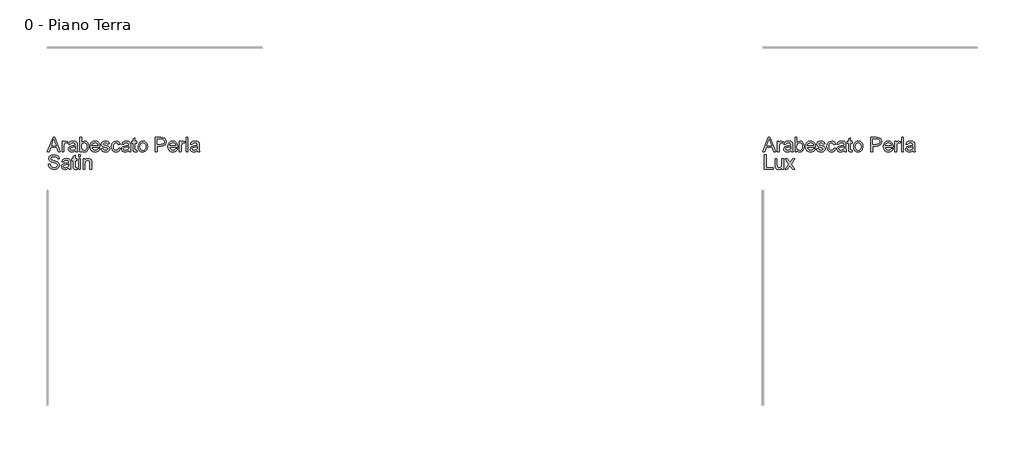
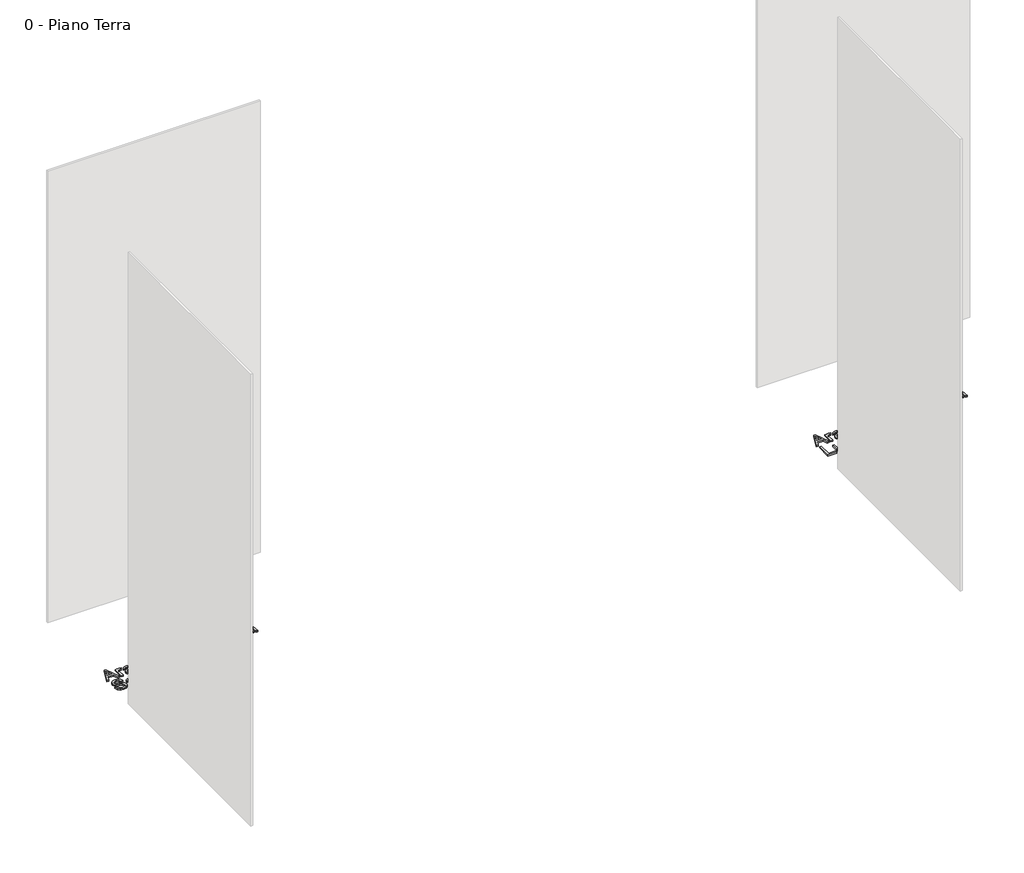
# One storey, part 32 of 35: 2 proxies.
"""IFC4 building model written with IfcOpenShell, lengths in millimetres."""

from ifc_helpers import new_model, si_unit, origin, origin_with_axes, place, context, project, spatial, polyline, outline, extrude, element, save

model = new_model("IFC4")

# Units and contexts
model_context = context("Model", 3, world=origin())
ifc_project = project(units=[si_unit("LENGTHUNIT", "METRE", prefix="MILLI")], contexts=[model_context])

# Site, building, storey
site = spatial("IfcSite", under=ifc_project)
building = spatial("IfcBuilding", under=site)
storey = spatial("IfcBuildingStorey", under=building, Name="0 - Piano Terra", Elevation=0.0)

# Proxies
placement = place(None, origin())
element("IfcBuildingElementProxy", 1, Name="Testo modello 1", ObjectType="Testo modello 1", at=placement, inside=storey, context=model_context, shape_type="SweptSolid", body=[
    extrude(outline(polyline([(2720.0306016, 11726.2407648), (2760.1297391, 11826.697075), (2770.8228424, 11826.697075), (2810.9219799, 11726.2407648), (2797.6537026, 11726.2407648), (2786.1512589, 11757.6333618), (2744.7767972, 11757.6333618), (2733.2988789, 11726.2407648), (2720.0306016, 11726.2407648)]), holes=[polyline([(2749.3875848, 11770.1904005), (2781.5649967, 11770.1904005), (2772.5150996, 11794.8875451), (2765.4762908, 11814.1400362), (2759.2222968, 11797.0457862), (2749.3875848, 11770.1904005)])]), origin_with_axes(), (0.0, 0.0, 1.0), 10.0),
    extrude(outline(polyline([(2822.7677801, 11726.2407648), (2822.7677801, 11800.0133676), (2833.7551891, 11800.0133676), (2833.7551891, 11789.0995351), (2841.5542874, 11799.1549763), (2849.4024366, 11801.5829975), (2862.0085263, 11797.7079738), (2857.8146716, 11786.4507847), (2848.9855037, 11789.0259587), (2841.8853812, 11786.5488866), (2837.3604326, 11779.681756), (2835.3248189, 11765.0155271), (2835.3248189, 11726.2407648), (2822.7677801, 11726.2407648)])), origin_with_axes(), (0.0, 0.0, 1.0), 10.0),
    extrude(outline(polyline([(2916.9455709, 11735.6585439), (2904.7686769, 11727.1482071), (2891.3164586, 11724.671135), (2880.8226247, 11726.1610571), (2873.0817744, 11730.6308233), (2868.3085055, 11737.4182461), (2866.7174158, 11745.8611379), (2869.1209115, 11755.7939518), (2875.4362191, 11763.0044389), (2884.2285988, 11767.1247172), (2895.0933804, 11769.0131782), (2916.8719945, 11773.3296602), (2916.9455709, 11776.1255634), (2913.4874802, 11785.3961897), (2899.6060662, 11789.0259587), (2886.9018746, 11786.6102003), (2880.8440845, 11778.0385498), (2868.2870457, 11779.6081796), (2873.7194365, 11791.8709128), (2884.6577945, 11799.0568744), (2901.224747, 11801.5829975), (2916.4427989, 11799.35118), (2925.0389748, 11793.747111), (2928.889473, 11785.2245114), (2929.5026097, 11774.2371025), (2929.5026097, 11758.6143804), (2930.1402718, 11736.7989781), (2932.6418694, 11726.2407648), (2920.0848306, 11726.2407648), (2916.9455709, 11735.6585439)]), holes=[polyline([(2916.9455709, 11760.7726215), (2896.6875357, 11756.9221232), (2885.8840678, 11754.8865095), (2880.9912373, 11751.5755716), (2879.2744546, 11746.7440547), (2883.0145882, 11739.9505005), (2893.9897344, 11737.2281738), (2906.693926, 11740.2325434), (2914.8854317, 11747.5043442), (2916.8719945, 11757.2164288), (2916.9455709, 11760.7726215)])]), origin_with_axes(), (0.0, 0.0, 1.0), 10.0),
    extrude(outline(polyline([(2959.3255768, 11726.2407648), (2946.768538, 11726.2407648), (2946.768538, 11826.697075), (2959.3255768, 11826.697075), (2959.3255768, 11789.4428916), (2968.1179564, 11798.547971), (2979.0440517, 11801.5829975), (2991.6256159, 11798.848408), (3001.3867515, 11791.1596743), (3007.3832281, 11779.2035094), (3009.5537318, 11764.2307122), (3007.306586, 11747.467556), (3000.5651484, 11734.9963563), (2990.6721884, 11727.2524403), (2978.9704753, 11724.671135), (2967.8052567, 11728.0004671), (2959.3255768, 11737.9884632), (2959.3255768, 11726.2407648)]), holes=[polyline([(2959.3255768, 11763.642101), (2962.759142, 11746.0818671), (2969.3380984, 11739.4415971), (2977.8913548, 11737.2281738), (2985.1386301, 11738.8591173), (2991.3313103, 11743.7519478), (2995.5803474, 11751.8760085), (2996.9966931, 11763.2006426), (2995.6385954, 11774.6908236), (2991.5643023, 11782.7229138), (2985.5647601, 11787.4501975), (2978.430915, 11789.0259587), (2971.1836397, 11787.3950152), (2964.9909595, 11782.5021846), (2960.7419224, 11774.5252767), (2959.3255768, 11763.642101)])]), origin_with_axes(), (0.0, 0.0, 1.0), 10.0),
    extrude(outline(polyline([(3075.3310326, 11748.2155827), (3087.6428167, 11746.6459528), (3083.206773, 11737.3691952), (3076.1281102, 11730.4346196), (3066.566244, 11726.1120062), (3054.6805899, 11724.671135), (3039.946916, 11727.1574042), (3028.6100192, 11734.6162116), (3021.381138, 11746.5631794), (3018.9715109, 11762.5139296), (3021.4056634, 11779.0011743), (3028.708121, 11791.3313525), (3039.8917337, 11799.0200862), (3053.9693514, 11801.5829975), (3067.6085764, 11799.0262176), (3078.5070805, 11791.355878), (3085.6531882, 11779.0502253), (3088.0352241, 11762.587506), (3087.9616477, 11759.2029916), (3031.5285497, 11759.2029916), (3033.7021191, 11749.8036066), (3038.7512995, 11742.8935565), (3046.0384287, 11738.6445195), (3054.9258446, 11737.2281738), (3067.2376287, 11739.8523987), (3075.3310326, 11748.2155827)]), holes=[polyline([(3031.5285497, 11771.7600304), (3075.4781854, 11771.7600304), (3070.4504648, 11783.1398468), (3063.1296131, 11787.5544307), (3053.9203005, 11789.0259587), (3038.4569939, 11784.3293319), (3033.5917545, 11778.8386931), (3031.5285497, 11771.7600304)])]), origin_with_axes(), (0.0, 0.0, 1.0), 10.0),
    extrude(outline(polyline([(3095.8833734, 11748.2155827), (3108.4404121, 11749.7852125), (3114.2529477, 11740.4655353), (3127.5702759, 11737.2281738), (3140.3725693, 11740.1957552), (3144.5418986, 11747.1609876), (3140.3480439, 11752.8018449), (3127.4231231, 11756.382563), (3108.5139885, 11762.5261923), (3100.2611691, 11769.6998912), (3097.4530032, 11779.8289088), (3099.7093461, 11789.1853742), (3105.8652382, 11796.3345477), (3113.8482775, 11800.0501558), (3124.6517454, 11801.5829975), (3139.9311109, 11799.1181881), (3149.6431956, 11792.4472612), (3153.9596777, 11781.1778095), (3141.4026389, 11779.6081796), (3136.6814866, 11786.5366239), (3125.632764, 11789.0259587), (3113.6152855, 11786.6469885), (3110.010042, 11781.1042331), (3111.5060954, 11777.4499386), (3116.1904595, 11774.6785609), (3127.0061902, 11772.005285), (3145.4370781, 11766.0946477), (3153.9964659, 11759.3991953), (3157.0989374, 11748.4853628), (3153.4569056, 11736.4678843), (3142.9477433, 11727.749081), (3127.3985976, 11724.671135), (3114.7373256, 11726.1549257), (3105.4973562, 11730.6062979), (3099.3292014, 11737.9762005), (3095.8833734, 11748.2155827)])), origin_with_axes(), (0.0, 0.0, 1.0), 10.0),
    extrude(outline(polyline([(3218.3145014, 11752.9244722), (3230.8715401, 11751.3548424), (3227.3705298, 11740.1865581), (3220.7915735, 11731.746732), (3211.7539391, 11726.4400343), (3200.8768948, 11724.671135), (3187.5197127, 11727.1390101), (3177.0749297, 11734.5426352), (3170.3334921, 11746.557048), (3168.0863463, 11762.8572861), (3171.9245818, 11783.7161952), (3183.6232292, 11797.1193626), (3200.7052165, 11801.5829975), (3211.3155464, 11800.0501558), (3219.7982921, 11795.4516309), (3225.8836734, 11788.0326773), (3229.3019103, 11778.0385498), (3216.7448715, 11776.4689199), (3210.9200733, 11785.8744363), (3200.8033184, 11789.0259587), (3192.6884547, 11787.4747229), (3186.2474541, 11782.8210157), (3182.0444023, 11774.8134509), (3180.6433851, 11763.2006426), (3182.0137455, 11751.4314845), (3186.1248268, 11743.3963286), (3192.4493314, 11738.7702125), (3200.4599619, 11737.2281738), (3212.2934994, 11741.078672), (3218.3145014, 11752.9244722)])), origin_with_axes(), (0.0, 0.0, 1.0), 10.0),
    extrude(outline(polyline([(3288.9478444, 11735.6585439), (3276.7709504, 11727.1482071), (3263.3187321, 11724.671135), (3252.8248982, 11726.1610571), (3245.0840479, 11730.6308233), (3240.310779, 11737.4182461), (3238.7196894, 11745.8611379), (3241.1231851, 11755.7939518), (3247.4384926, 11763.0044389), (3256.2308723, 11767.1247172), (3267.0956539, 11769.0131782), (3288.874268, 11773.3296602), (3288.9478444, 11776.1255634), (3285.4897537, 11785.3961897), (3271.6083397, 11789.0259587), (3258.9041482, 11786.6102003), (3252.846358, 11778.0385498), (3240.2893192, 11779.6081796), (3245.72171, 11791.8709128), (3256.660068, 11799.0568744), (3273.2270205, 11801.5829975), (3288.4450724, 11799.35118), (3297.0412483, 11793.747111), (3300.8917465, 11785.2245114), (3301.5048832, 11774.2371025), (3301.5048832, 11758.6143804), (3302.1425453, 11736.7989781), (3304.6441429, 11726.2407648), (3292.0871041, 11726.2407648), (3288.9478444, 11735.6585439)]), holes=[polyline([(3288.9478444, 11760.7726215), (3268.6898092, 11756.9221232), (3257.8863413, 11754.8865095), (3252.9935108, 11751.5755716), (3251.2767281, 11746.7440547), (3255.0168617, 11739.9505005), (3265.9920079, 11737.2281738), (3278.6961995, 11740.2325434), (3286.8877053, 11747.5043442), (3288.874268, 11757.2164288), (3288.9478444, 11760.7726215)])]), origin_with_axes(), (0.0, 0.0, 1.0), 10.0),
    extrude(outline(polyline([(3345.4545189, 11736.713139), (3347.0241487, 11725.8728829), (3337.6308951, 11724.671135), (3327.1094701, 11726.7557996), (3321.8610203, 11732.2249786), (3320.3404414, 11746.4742746), (3320.3404414, 11787.4563288), (3310.9226623, 11787.4563288), (3310.9226623, 11800.0133676), (3320.3404414, 11800.0133676), (3320.3404414, 11817.9414835), (3332.8974801, 11825.3236489), (3332.8974801, 11800.0133676), (3345.4545189, 11800.0133676), (3345.4545189, 11787.4563288), (3332.8974801, 11787.4563288), (3332.8974801, 11746.8421566), (3333.5596677, 11740.3674335), (3335.705646, 11738.0743024), (3339.9853399, 11737.2281738), (3345.4545189, 11736.713139)])), origin_with_axes(), (0.0, 0.0, 1.0), 10.0),
    extrude(outline(polyline([(3354.872298, 11763.1270662), (3357.5884934, 11780.9141607), (3365.7370796, 11793.4160172), (3375.8047835, 11799.5412524), (3387.8590502, 11801.5829975), (3401.0506854, 11799.0967283), (3411.5874389, 11791.6379209), (3418.4944234, 11779.7951863), (3420.7967515, 11764.1571358), (3416.7255241, 11741.814436), (3404.8674611, 11729.1715581), (3387.8590502, 11724.671135), (3374.5079995, 11727.1482071), (3363.9835087, 11734.5794234), (3357.1501007, 11746.6704783), (3354.872298, 11763.1270662)]), holes=[polyline([(3367.4293367, 11763.1515917), (3368.8824706, 11751.7871037), (3373.2418723, 11743.6906342), (3379.8024345, 11738.8437889), (3387.8590502, 11737.2281738), (3395.8788777, 11738.8529859), (3402.4271772, 11743.7274224), (3406.7865789, 11751.9311908), (3408.2397127, 11763.5439992), (3406.7773818, 11774.5773933), (3402.390389, 11782.5634983), (3395.8328925, 11787.4103436), (3387.8590502, 11789.0259587), (3379.8024345, 11787.416475), (3373.2418723, 11782.5880238), (3368.8824706, 11774.5099483), (3367.4293367, 11763.1515917)])]), origin_with_axes(), (0.0, 0.0, 1.0), 10.0),
    extrude(outline(polyline([(3475.7337961, 11726.2407648), (3475.7337961, 11826.697075), (3512.963454, 11826.697075), (3527.9730394, 11825.7405818), (3540.1744589, 11821.043955), (3548.0839218, 11811.3318703), (3551.0760287, 11797.6343974), (3549.0557434, 11785.7947285), (3542.9948876, 11775.9293597), (3531.6610564, 11769.2706956), (3513.8218454, 11767.0511408), (3488.2908349, 11767.0511408), (3488.2908349, 11726.2407648), (3475.7337961, 11726.2407648)]), holes=[polyline([(3488.2908349, 11779.6081796), (3514.5576093, 11779.6081796), (3533.049811, 11784.2189673), (3537.1516952, 11789.767854), (3538.51899, 11797.192939), (3535.2938911, 11807.5917367), (3526.8203425, 11813.2816449), (3514.2633037, 11814.1400362), (3488.2908349, 11814.1400362), (3488.2908349, 11779.6081796)])]), origin_with_axes(), (0.0, 0.0, 1.0), 10.0),
    extrude(outline(polyline([(3618.4229593, 11748.2155827), (3630.7347434, 11746.6459528), (3626.2986997, 11737.3691952), (3619.220037, 11730.4346196), (3609.6581708, 11726.1120062), (3597.7725167, 11724.671135), (3583.0388427, 11727.1574042), (3571.7019459, 11734.6162116), (3564.4730647, 11746.5631794), (3562.0634377, 11762.5139296), (3564.4975902, 11779.0011743), (3571.8000478, 11791.3313525), (3582.9836604, 11799.0200862), (3597.0612781, 11801.5829975), (3610.7005031, 11799.0262176), (3621.5990072, 11791.355878), (3628.745115, 11779.0502253), (3631.1271509, 11762.587506), (3631.0535745, 11759.2029916), (3574.6204764, 11759.2029916), (3576.7940459, 11749.8036066), (3581.8432263, 11742.8935565), (3589.1303555, 11738.6445195), (3598.0177713, 11737.2281738), (3610.3295554, 11739.8523987), (3618.4229593, 11748.2155827)]), holes=[polyline([(3574.6204764, 11771.7600304), (3618.5701121, 11771.7600304), (3613.5423915, 11783.1398468), (3606.2215398, 11787.5544307), (3597.0122272, 11789.0259587), (3581.5489207, 11784.3293319), (3576.6836813, 11778.8386931), (3574.6204764, 11771.7600304)])]), origin_with_axes(), (0.0, 0.0, 1.0), 10.0),
    extrude(outline(polyline([(3643.6841897, 11726.2407648), (3643.6841897, 11800.0133676), (3654.6715986, 11800.0133676), (3654.6715986, 11789.0995351), (3662.4706969, 11799.1549763), (3670.3188461, 11801.5829975), (3682.9249358, 11797.7079738), (3678.7310811, 11786.4507847), (3669.9019132, 11789.0259587), (3662.8017907, 11786.5488866), (3658.2768421, 11779.681756), (3656.2412284, 11765.0155271), (3656.2412284, 11726.2407648), (3643.6841897, 11726.2407648)])), origin_with_axes(), (0.0, 0.0, 1.0), 10.0),
    extrude(outline(polyline([(3690.773085, 11726.2407648), (3690.773085, 11826.697075), (3703.3301238, 11826.697075), (3703.3301238, 11726.2407648), (3690.773085, 11726.2407648)])), origin_with_axes(), (0.0, 0.0, 1.0), 10.0),
    extrude(outline(polyline([(3769.2545773, 11735.6585439), (3757.0776833, 11727.1482071), (3743.625465, 11724.671135), (3733.1316311, 11726.1610571), (3725.3907808, 11730.6308233), (3720.6175119, 11737.4182461), (3719.0264223, 11745.8611379), (3721.429918, 11755.7939518), (3727.7452256, 11763.0044389), (3736.5376052, 11767.1247172), (3747.4023868, 11769.0131782), (3769.1810009, 11773.3296602), (3769.2545773, 11776.1255634), (3765.7964866, 11785.3961897), (3751.9150726, 11789.0259587), (3739.2108811, 11786.6102003), (3733.1530909, 11778.0385498), (3720.5960521, 11779.6081796), (3726.0284429, 11791.8709128), (3736.9668009, 11799.0568744), (3753.5337534, 11801.5829975), (3768.7518053, 11799.35118), (3777.3479812, 11793.747111), (3781.1984794, 11785.2245114), (3781.8116161, 11774.2371025), (3781.8116161, 11758.6143804), (3782.4492782, 11736.7989781), (3784.9508758, 11726.2407648), (3772.393837, 11726.2407648), (3769.2545773, 11735.6585439)]), holes=[polyline([(3769.2545773, 11760.7726215), (3748.9965421, 11756.9221232), (3738.1930742, 11754.8865095), (3733.3002437, 11751.5755716), (3731.583461, 11746.7440547), (3735.3235947, 11739.9505005), (3746.2987408, 11737.2281738), (3759.0029324, 11740.2325434), (3767.1944382, 11747.5043442), (3769.1810009, 11757.2164288), (3769.2545773, 11760.7726215)])]), origin_with_axes(), (0.0, 0.0, 1.0), 10.0),
    extrude(outline(polyline([(2727.0203595, 11638.7978036), (2739.5773983, 11638.7978036), (2743.6241003, 11626.2285021), (2753.5078632, 11618.282251), (2768.5664995, 11615.2533559), (2781.687624, 11617.546487), (2790.1611726, 11623.8495319), (2792.9448131, 11632.2740296), (2790.8601484, 11640.1099161), (2782.3252861, 11645.812087), (2764.041551, 11650.6068157), (2744.3598642, 11656.7994959), (2733.6790237, 11666.1436986), (2730.1596192, 11678.627161), (2734.5128895, 11692.8396687), (2747.2293438, 11702.8705844), (2765.8441728, 11706.291887), (2785.7098005, 11702.7111689), (2798.9535523, 11692.1897439), (2803.932222, 11676.4689199), (2791.3751832, 11676.4689199), (2789.0697894, 11683.9614499), (2784.262798, 11689.3693152), (2766.3346821, 11693.7348482), (2748.3575153, 11689.4183662), (2742.716658, 11678.995043), (2746.714309, 11670.2885024), (2767.2175989, 11663.274219), (2789.4376714, 11656.9711742), (2801.59004, 11646.7931056), (2805.5018518, 11632.5928606), (2801.0014288, 11617.5710125), (2788.0519825, 11606.608129), (2769.0570089, 11602.6963172), (2746.6284699, 11606.9146974), (2732.4404876, 11619.6188889), (2727.0203595, 11638.7978036)])), origin_with_axes(), (0.0, 0.0, 1.0), 10.0),
    extrude(outline(polyline([(2869.8566755, 11613.6837261), (2857.6797815, 11605.1733893), (2844.2275632, 11602.6963172), (2833.7337293, 11604.1862392), (2825.992879, 11608.6560055), (2821.2196101, 11615.4434283), (2819.6285205, 11623.8863201), (2822.0320162, 11633.8191339), (2828.3473237, 11641.0296211), (2837.1397034, 11645.1498994), (2848.004485, 11647.0383603), (2869.7830991, 11651.3548424), (2869.8566755, 11654.1507455), (2866.3985848, 11663.4213718), (2852.5171708, 11667.0511408), (2839.8129793, 11664.6353824), (2833.7551891, 11656.0637319), (2821.1981503, 11657.6333618), (2826.6305411, 11669.8960949), (2837.5688991, 11677.0820566), (2854.1358516, 11679.6081796), (2869.3539035, 11677.3763622), (2877.9500794, 11671.7722931), (2881.8005776, 11663.2496936), (2882.4137143, 11652.2622846), (2882.4137143, 11636.6395626), (2883.0513764, 11614.8241603), (2885.552974, 11604.265947), (2872.9959352, 11604.265947), (2869.8566755, 11613.6837261)]), holes=[polyline([(2869.8566755, 11638.7978036), (2849.5986403, 11634.9473054), (2838.7951724, 11632.9116917), (2833.9023419, 11629.6007537), (2832.1855592, 11624.7692369), (2835.9256928, 11617.9756827), (2846.900839, 11615.2533559), (2859.6050306, 11618.2577256), (2867.7965364, 11625.5295263), (2869.7830991, 11635.241611), (2869.8566755, 11638.7978036)])]), origin_with_axes(), (0.0, 0.0, 1.0), 10.0),
    extrude(outline(polyline([(2926.36335, 11614.7383211), (2927.9329798, 11603.898065), (2918.5397262, 11602.6963172), (2908.0183012, 11604.7809818), (2902.7698514, 11610.2501608), (2901.2492725, 11624.4994567), (2901.2492725, 11665.481511), (2891.8314934, 11665.481511), (2891.8314934, 11678.0385498), (2901.2492725, 11678.0385498), (2901.2492725, 11695.9666657), (2913.8063112, 11703.348831), (2913.8063112, 11678.0385498), (2926.36335, 11678.0385498), (2926.36335, 11665.481511), (2913.8063112, 11665.481511), (2913.8063112, 11624.8673387), (2914.4684988, 11618.3926156), (2916.6144771, 11616.0994845), (2920.894171, 11615.2533559), (2926.36335, 11614.7383211)])), origin_with_axes(), (0.0, 0.0, 1.0), 10.0),
    extrude(outline(polyline([(2938.9203888, 11692.1652184), (2938.9203888, 11704.7222572), (2951.4774275, 11704.7222572), (2951.4774275, 11692.1652184), (2938.9203888, 11692.1652184)])), origin_with_axes(), (0.0, 0.0, 1.0), 10.0),
    extrude(outline(polyline([(2938.9203888, 11604.265947), (2938.9203888, 11678.0385498), (2951.4774275, 11678.0385498), (2951.4774275, 11604.265947), (2938.9203888, 11604.265947)])), origin_with_axes(), (0.0, 0.0, 1.0), 10.0),
    extrude(outline(polyline([(2970.3129857, 11604.265947), (2970.3129857, 11678.0385498), (2982.8700244, 11678.0385498), (2982.8700244, 11667.7378539), (2992.4717445, 11676.6405982), (3005.5806063, 11679.6081796), (3017.4386693, 11677.2169466), (3025.5320732, 11670.9384273), (3029.2967322, 11661.7045892), (3029.9589198, 11649.5644833), (3029.9589198, 11604.265947), (3017.4018811, 11604.265947), (3017.4018811, 11647.8722262), (3015.9548785, 11658.9822624), (3010.8413188, 11664.8561116), (3002.2206174, 11667.0511408), (2988.5967208, 11662.1215221), (2984.3016985, 11654.97848), (2982.8700244, 11643.4085913), (2982.8700244, 11604.265947), (2970.3129857, 11604.265947)])), origin_with_axes(), (0.0, 0.0, 1.0), 10.0),
])
element("IfcBuildingElementProxy", 2, Name="Testo modello 1", ObjectType="Testo modello 1", at=placement, inside=storey, context=model_context, shape_type="SweptSolid", body=[
    extrude(outline(polyline([(7720.0306016, 11726.2407648), (7760.1297391, 11826.697075), (7770.8228424, 11826.697075), (7810.9219799, 11726.2407648), (7797.6537026, 11726.2407648), (7786.1512589, 11757.6333618), (7744.7767972, 11757.6333618), (7733.2988789, 11726.2407648), (7720.0306016, 11726.2407648)]), holes=[polyline([(7749.3875848, 11770.1904005), (7781.5649967, 11770.1904005), (7772.5150996, 11794.8875451), (7765.4762908, 11814.1400362), (7759.2222968, 11797.0457862), (7749.3875848, 11770.1904005)])]), origin_with_axes(), (0.0, 0.0, 1.0), 10.0),
    extrude(outline(polyline([(7822.7677801, 11726.2407648), (7822.7677801, 11800.0133676), (7833.7551891, 11800.0133676), (7833.7551891, 11789.0995351), (7841.5542874, 11799.1549763), (7849.4024366, 11801.5829975), (7862.0085263, 11797.7079738), (7857.8146716, 11786.4507847), (7848.9855037, 11789.0259587), (7841.8853812, 11786.5488866), (7837.3604326, 11779.681756), (7835.3248189, 11765.0155271), (7835.3248189, 11726.2407648), (7822.7677801, 11726.2407648)])), origin_with_axes(), (0.0, 0.0, 1.0), 10.0),
    extrude(outline(polyline([(7916.9455709, 11735.6585439), (7904.7686769, 11727.1482071), (7891.3164586, 11724.671135), (7880.8226247, 11726.1610571), (7873.0817744, 11730.6308233), (7868.3085055, 11737.4182461), (7866.7174158, 11745.8611379), (7869.1209115, 11755.7939518), (7875.4362191, 11763.0044389), (7884.2285988, 11767.1247172), (7895.0933804, 11769.0131782), (7916.8719945, 11773.3296602), (7916.9455709, 11776.1255634), (7913.4874802, 11785.3961897), (7899.6060662, 11789.0259587), (7886.9018746, 11786.6102003), (7880.8440845, 11778.0385498), (7868.2870457, 11779.6081796), (7873.7194365, 11791.8709128), (7884.6577945, 11799.0568744), (7901.224747, 11801.5829975), (7916.4427989, 11799.35118), (7925.0389748, 11793.747111), (7928.889473, 11785.2245114), (7929.5026097, 11774.2371025), (7929.5026097, 11758.6143804), (7930.1402718, 11736.7989781), (7932.6418694, 11726.2407648), (7920.0848306, 11726.2407648), (7916.9455709, 11735.6585439)]), holes=[polyline([(7916.9455709, 11760.7726215), (7896.6875357, 11756.9221232), (7885.8840678, 11754.8865095), (7880.9912373, 11751.5755716), (7879.2744546, 11746.7440547), (7883.0145882, 11739.9505005), (7893.9897344, 11737.2281738), (7906.693926, 11740.2325434), (7914.8854317, 11747.5043442), (7916.8719945, 11757.2164288), (7916.9455709, 11760.7726215)])]), origin_with_axes(), (0.0, 0.0, 1.0), 10.0),
    extrude(outline(polyline([(7959.3255768, 11726.2407648), (7946.768538, 11726.2407648), (7946.768538, 11826.697075), (7959.3255768, 11826.697075), (7959.3255768, 11789.4428916), (7968.1179564, 11798.547971), (7979.0440517, 11801.5829975), (7991.6256159, 11798.848408), (8001.3867515, 11791.1596743), (8007.3832281, 11779.2035094), (8009.5537318, 11764.2307122), (8007.306586, 11747.467556), (8000.5651484, 11734.9963563), (7990.6721884, 11727.2524403), (7978.9704753, 11724.671135), (7967.8052567, 11728.0004671), (7959.3255768, 11737.9884632), (7959.3255768, 11726.2407648)]), holes=[polyline([(7959.3255768, 11763.642101), (7962.759142, 11746.0818671), (7969.3380984, 11739.4415971), (7977.8913548, 11737.2281738), (7985.1386301, 11738.8591173), (7991.3313103, 11743.7519478), (7995.5803474, 11751.8760085), (7996.9966931, 11763.2006426), (7995.6385954, 11774.6908236), (7991.5643023, 11782.7229138), (7985.5647601, 11787.4501975), (7978.430915, 11789.0259587), (7971.1836397, 11787.3950152), (7964.9909595, 11782.5021846), (7960.7419224, 11774.5252767), (7959.3255768, 11763.642101)])]), origin_with_axes(), (0.0, 0.0, 1.0), 10.0),
    extrude(outline(polyline([(8075.3310326, 11748.2155827), (8087.6428167, 11746.6459528), (8083.206773, 11737.3691952), (8076.1281102, 11730.4346196), (8066.566244, 11726.1120062), (8054.6805899, 11724.671135), (8039.946916, 11727.1574042), (8028.6100192, 11734.6162116), (8021.381138, 11746.5631794), (8018.9715109, 11762.5139296), (8021.4056634, 11779.0011743), (8028.708121, 11791.3313525), (8039.8917337, 11799.0200862), (8053.9693514, 11801.5829975), (8067.6085764, 11799.0262176), (8078.5070805, 11791.355878), (8085.6531882, 11779.0502253), (8088.0352241, 11762.587506), (8087.9616477, 11759.2029916), (8031.5285497, 11759.2029916), (8033.7021191, 11749.8036066), (8038.7512995, 11742.8935565), (8046.0384287, 11738.6445195), (8054.9258446, 11737.2281738), (8067.2376287, 11739.8523987), (8075.3310326, 11748.2155827)]), holes=[polyline([(8031.5285497, 11771.7600304), (8075.4781854, 11771.7600304), (8070.4504648, 11783.1398468), (8063.1296131, 11787.5544307), (8053.9203005, 11789.0259587), (8038.4569939, 11784.3293319), (8033.5917545, 11778.8386931), (8031.5285497, 11771.7600304)])]), origin_with_axes(), (0.0, 0.0, 1.0), 10.0),
    extrude(outline(polyline([(8095.8833734, 11748.2155827), (8108.4404121, 11749.7852125), (8114.2529477, 11740.4655353), (8127.5702759, 11737.2281738), (8140.3725693, 11740.1957552), (8144.5418986, 11747.1609876), (8140.3480439, 11752.8018449), (8127.4231231, 11756.382563), (8108.5139885, 11762.5261923), (8100.2611691, 11769.6998912), (8097.4530032, 11779.8289088), (8099.7093461, 11789.1853742), (8105.8652382, 11796.3345477), (8113.8482775, 11800.0501558), (8124.6517454, 11801.5829975), (8139.9311109, 11799.1181881), (8149.6431956, 11792.4472612), (8153.9596777, 11781.1778095), (8141.4026389, 11779.6081796), (8136.6814866, 11786.5366239), (8125.632764, 11789.0259587), (8113.6152855, 11786.6469885), (8110.010042, 11781.1042331), (8111.5060954, 11777.4499386), (8116.1904595, 11774.6785609), (8127.0061902, 11772.005285), (8145.4370781, 11766.0946477), (8153.9964659, 11759.3991953), (8157.0989374, 11748.4853628), (8153.4569056, 11736.4678843), (8142.9477433, 11727.749081), (8127.3985976, 11724.671135), (8114.7373256, 11726.1549257), (8105.4973562, 11730.6062979), (8099.3292014, 11737.9762005), (8095.8833734, 11748.2155827)])), origin_with_axes(), (0.0, 0.0, 1.0), 10.0),
    extrude(outline(polyline([(8218.3145014, 11752.9244722), (8230.8715401, 11751.3548424), (8227.3705298, 11740.1865581), (8220.7915735, 11731.746732), (8211.7539391, 11726.4400343), (8200.8768948, 11724.671135), (8187.5197127, 11727.1390101), (8177.0749297, 11734.5426352), (8170.3334921, 11746.557048), (8168.0863463, 11762.8572861), (8171.9245818, 11783.7161952), (8183.6232292, 11797.1193626), (8200.7052165, 11801.5829975), (8211.3155464, 11800.0501558), (8219.7982921, 11795.4516309), (8225.8836734, 11788.0326773), (8229.3019103, 11778.0385498), (8216.7448715, 11776.4689199), (8210.9200733, 11785.8744363), (8200.8033184, 11789.0259587), (8192.6884547, 11787.4747229), (8186.2474541, 11782.8210157), (8182.0444023, 11774.8134509), (8180.6433851, 11763.2006426), (8182.0137455, 11751.4314845), (8186.1248268, 11743.3963286), (8192.4493314, 11738.7702125), (8200.4599619, 11737.2281738), (8212.2934994, 11741.078672), (8218.3145014, 11752.9244722)])), origin_with_axes(), (0.0, 0.0, 1.0), 10.0),
    extrude(outline(polyline([(8288.9478444, 11735.6585439), (8276.7709504, 11727.1482071), (8263.3187321, 11724.671135), (8252.8248982, 11726.1610571), (8245.0840479, 11730.6308233), (8240.310779, 11737.4182461), (8238.7196894, 11745.8611379), (8241.1231851, 11755.7939518), (8247.4384926, 11763.0044389), (8256.2308723, 11767.1247172), (8267.0956539, 11769.0131782), (8288.874268, 11773.3296602), (8288.9478444, 11776.1255634), (8285.4897537, 11785.3961897), (8271.6083397, 11789.0259587), (8258.9041482, 11786.6102003), (8252.846358, 11778.0385498), (8240.2893192, 11779.6081796), (8245.72171, 11791.8709128), (8256.660068, 11799.0568744), (8273.2270205, 11801.5829975), (8288.4450724, 11799.35118), (8297.0412483, 11793.747111), (8300.8917465, 11785.2245114), (8301.5048832, 11774.2371025), (8301.5048832, 11758.6143804), (8302.1425453, 11736.7989781), (8304.6441429, 11726.2407648), (8292.0871041, 11726.2407648), (8288.9478444, 11735.6585439)]), holes=[polyline([(8288.9478444, 11760.7726215), (8268.6898092, 11756.9221232), (8257.8863413, 11754.8865095), (8252.9935108, 11751.5755716), (8251.2767281, 11746.7440547), (8255.0168617, 11739.9505005), (8265.9920079, 11737.2281738), (8278.6961995, 11740.2325434), (8286.8877053, 11747.5043442), (8288.874268, 11757.2164288), (8288.9478444, 11760.7726215)])]), origin_with_axes(), (0.0, 0.0, 1.0), 10.0),
    extrude(outline(polyline([(8345.4545189, 11736.713139), (8347.0241487, 11725.8728829), (8337.6308951, 11724.671135), (8327.1094701, 11726.7557996), (8321.8610203, 11732.2249786), (8320.3404414, 11746.4742746), (8320.3404414, 11787.4563288), (8310.9226623, 11787.4563288), (8310.9226623, 11800.0133676), (8320.3404414, 11800.0133676), (8320.3404414, 11817.9414835), (8332.8974801, 11825.3236489), (8332.8974801, 11800.0133676), (8345.4545189, 11800.0133676), (8345.4545189, 11787.4563288), (8332.8974801, 11787.4563288), (8332.8974801, 11746.8421566), (8333.5596677, 11740.3674335), (8335.705646, 11738.0743024), (8339.9853399, 11737.2281738), (8345.4545189, 11736.713139)])), origin_with_axes(), (0.0, 0.0, 1.0), 10.0),
    extrude(outline(polyline([(8354.872298, 11763.1270662), (8357.5884934, 11780.9141607), (8365.7370796, 11793.4160172), (8375.8047835, 11799.5412524), (8387.8590502, 11801.5829975), (8401.0506854, 11799.0967283), (8411.5874389, 11791.6379209), (8418.4944234, 11779.7951863), (8420.7967515, 11764.1571358), (8416.7255241, 11741.814436), (8404.8674611, 11729.1715581), (8387.8590502, 11724.671135), (8374.5079995, 11727.1482071), (8363.9835087, 11734.5794234), (8357.1501007, 11746.6704783), (8354.872298, 11763.1270662)]), holes=[polyline([(8367.4293367, 11763.1515917), (8368.8824706, 11751.7871037), (8373.2418723, 11743.6906342), (8379.8024345, 11738.8437889), (8387.8590502, 11737.2281738), (8395.8788777, 11738.8529859), (8402.4271772, 11743.7274224), (8406.7865789, 11751.9311908), (8408.2397127, 11763.5439992), (8406.7773818, 11774.5773933), (8402.390389, 11782.5634983), (8395.8328925, 11787.4103436), (8387.8590502, 11789.0259587), (8379.8024345, 11787.416475), (8373.2418723, 11782.5880238), (8368.8824706, 11774.5099483), (8367.4293367, 11763.1515917)])]), origin_with_axes(), (0.0, 0.0, 1.0), 10.0),
    extrude(outline(polyline([(8475.7337961, 11726.2407648), (8475.7337961, 11826.697075), (8512.963454, 11826.697075), (8527.9730394, 11825.7405818), (8540.1744589, 11821.043955), (8548.0839218, 11811.3318703), (8551.0760287, 11797.6343974), (8549.0557434, 11785.7947285), (8542.9948876, 11775.9293597), (8531.6610564, 11769.2706956), (8513.8218454, 11767.0511408), (8488.2908349, 11767.0511408), (8488.2908349, 11726.2407648), (8475.7337961, 11726.2407648)]), holes=[polyline([(8488.2908349, 11779.6081796), (8514.5576093, 11779.6081796), (8533.049811, 11784.2189673), (8537.1516952, 11789.767854), (8538.51899, 11797.192939), (8535.2938911, 11807.5917367), (8526.8203425, 11813.2816449), (8514.2633037, 11814.1400362), (8488.2908349, 11814.1400362), (8488.2908349, 11779.6081796)])]), origin_with_axes(), (0.0, 0.0, 1.0), 10.0),
    extrude(outline(polyline([(8618.4229593, 11748.2155827), (8630.7347434, 11746.6459528), (8626.2986997, 11737.3691952), (8619.220037, 11730.4346196), (8609.6581708, 11726.1120062), (8597.7725167, 11724.671135), (8583.0388427, 11727.1574042), (8571.7019459, 11734.6162116), (8564.4730647, 11746.5631794), (8562.0634377, 11762.5139296), (8564.4975902, 11779.0011743), (8571.8000478, 11791.3313525), (8582.9836604, 11799.0200862), (8597.0612781, 11801.5829975), (8610.7005031, 11799.0262176), (8621.5990072, 11791.355878), (8628.745115, 11779.0502253), (8631.1271509, 11762.587506), (8631.0535745, 11759.2029916), (8574.6204764, 11759.2029916), (8576.7940459, 11749.8036066), (8581.8432263, 11742.8935565), (8589.1303555, 11738.6445195), (8598.0177713, 11737.2281738), (8610.3295554, 11739.8523987), (8618.4229593, 11748.2155827)]), holes=[polyline([(8574.6204764, 11771.7600304), (8618.5701121, 11771.7600304), (8613.5423915, 11783.1398468), (8606.2215398, 11787.5544307), (8597.0122272, 11789.0259587), (8581.5489207, 11784.3293319), (8576.6836813, 11778.8386931), (8574.6204764, 11771.7600304)])]), origin_with_axes(), (0.0, 0.0, 1.0), 10.0),
    extrude(outline(polyline([(8643.6841897, 11726.2407648), (8643.6841897, 11800.0133676), (8654.6715986, 11800.0133676), (8654.6715986, 11789.0995351), (8662.4706969, 11799.1549763), (8670.3188461, 11801.5829975), (8682.9249358, 11797.7079738), (8678.7310811, 11786.4507847), (8669.9019132, 11789.0259587), (8662.8017907, 11786.5488866), (8658.2768421, 11779.681756), (8656.2412284, 11765.0155271), (8656.2412284, 11726.2407648), (8643.6841897, 11726.2407648)])), origin_with_axes(), (0.0, 0.0, 1.0), 10.0),
    extrude(outline(polyline([(8690.773085, 11726.2407648), (8690.773085, 11826.697075), (8703.3301238, 11826.697075), (8703.3301238, 11726.2407648), (8690.773085, 11726.2407648)])), origin_with_axes(), (0.0, 0.0, 1.0), 10.0),
    extrude(outline(polyline([(8769.2545773, 11735.6585439), (8757.0776833, 11727.1482071), (8743.625465, 11724.671135), (8733.1316311, 11726.1610571), (8725.3907808, 11730.6308233), (8720.6175119, 11737.4182461), (8719.0264223, 11745.8611379), (8721.429918, 11755.7939518), (8727.7452256, 11763.0044389), (8736.5376052, 11767.1247172), (8747.4023868, 11769.0131782), (8769.1810009, 11773.3296602), (8769.2545773, 11776.1255634), (8765.7964866, 11785.3961897), (8751.9150726, 11789.0259587), (8739.2108811, 11786.6102003), (8733.1530909, 11778.0385498), (8720.5960521, 11779.6081796), (8726.0284429, 11791.8709128), (8736.9668009, 11799.0568744), (8753.5337534, 11801.5829975), (8768.7518053, 11799.35118), (8777.3479812, 11793.747111), (8781.1984794, 11785.2245114), (8781.8116161, 11774.2371025), (8781.8116161, 11758.6143804), (8782.4492782, 11736.7989781), (8784.9508758, 11726.2407648), (8772.393837, 11726.2407648), (8769.2545773, 11735.6585439)]), holes=[polyline([(8769.2545773, 11760.7726215), (8748.9965421, 11756.9221232), (8738.1930742, 11754.8865095), (8733.3002437, 11751.5755716), (8731.583461, 11746.7440547), (8735.3235947, 11739.9505005), (8746.2987408, 11737.2281738), (8759.0029324, 11740.2325434), (8767.1944382, 11747.5043442), (8769.1810009, 11757.2164288), (8769.2545773, 11760.7726215)])]), origin_with_axes(), (0.0, 0.0, 1.0), 10.0),
    extrude(outline(polyline([(7731.7292491, 11604.265947), (7731.7292491, 11704.7222572), (7744.2862878, 11704.7222572), (7744.2862878, 11616.8229858), (7794.5144429, 11616.8229858), (7794.5144429, 11604.265947), (7731.7292491, 11604.265947)])), origin_with_axes(), (0.0, 0.0, 1.0), 10.0),
    extrude(outline(polyline([(7854.1603771, 11604.265947), (7854.1603771, 11616.9456131), (7844.3256651, 11606.2586411), (7831.4988462, 11602.6963172), (7819.6898341, 11605.1979147), (7811.5473793, 11611.4764341), (7807.8072457, 11620.7225349), (7807.0714817, 11632.3966569), (7807.0714817, 11678.0385498), (7819.6285205, 11678.0385498), (7819.6285205, 11638.3072943), (7820.3888099, 11625.5050009), (7825.3552168, 11617.9879454), (7834.7116823, 11615.2533559), (7845.1963191, 11618.0492591), (7852.1247634, 11625.6644164), (7854.1603771, 11639.6561949), (7854.1603771, 11678.0385498), (7866.7174158, 11678.0385498), (7866.7174158, 11604.265947), (7854.1603771, 11604.265947)])), origin_with_axes(), (0.0, 0.0, 1.0), 10.0),
    extrude(outline(polyline([(7876.1351949, 11604.265947), (7902.9660551, 11641.3484521), (7877.7048248, 11678.0385498), (7892.812512, 11678.0385498), (7905.0016688, 11660.380214), (7910.691577, 11652.0415554), (7915.6211957, 11658.8596351), (7929.5026097, 11678.0385498), (7944.610297, 11678.0385498), (7918.0737424, 11641.3484521), (7943.6292783, 11604.265947), (7928.521591, 11604.265947), (7913.1441236, 11626.5595959), (7910.323695, 11630.6308233), (7891.2428822, 11604.265947), (7876.1351949, 11604.265947)])), origin_with_axes(), (0.0, 0.0, 1.0), 10.0),
])

save(model, "model.ifc")
